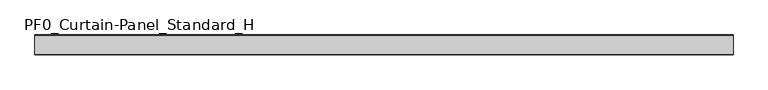
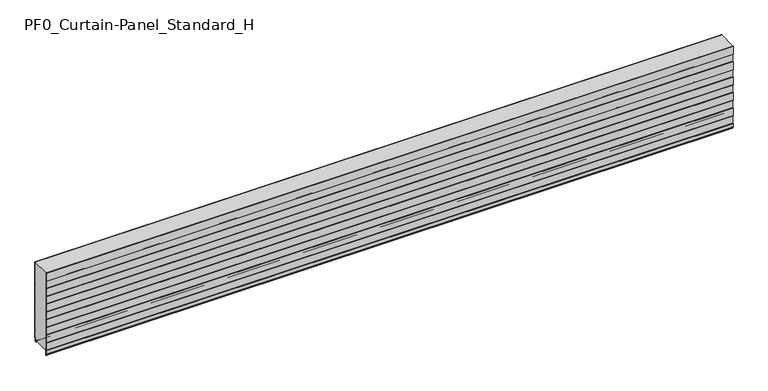
"""IFC4 building model written with IfcOpenShell, lengths in millimetres: plate geometry, PF0_Curtain-Panel_Standard_H."""

from ifc_helpers import new_model, si_unit, point, frame, frame_2d, origin, place, context, project, spatial, polyline, circle_curve, trimmed, segment, composite_curve, outline, extrude, source, transform, mapped, element, save


def pf0_curtain_panel_standard_h_a76f66ed(model_context):
    return source(origin(), model_context, "Body", "SweptSolid", [
        extrude(outline(composite_curve([segment(polyline([(-110.0, 0.0), (-113.5, 0.0)]), True, "CONTINUOUS"), segment(trimmed(circle_curve(frame_2d((-113.5, -2.0)), 2.0), [point((-113.5, 0.0))], [point((-115.5, -2.0))], True, "CARTESIAN"), True, "CONTINUOUS"), segment(polyline([(-115.5, -2.0), (-115.5, -33.0)]), True, "CONTINUOUS"), segment(trimmed(circle_curve(frame_2d((-116.5, -33.0)), 1.0), [point((-115.5, -33.0))], [point((-117.5, -33.0))], False, "CARTESIAN"), True, "CONTINUOUS"), segment(polyline([(-117.5, -33.0), (-117.5, -26.9)]), True, "CONTINUOUS"), segment(trimmed(circle_curve(frame_2d((-118.4, -26.9)), 0.9), [point((-117.5, -26.9))], [point((-118.4, -26.0))], True, "CARTESIAN"), True, "CONTINUOUS"), segment(trimmed(circle_curve(frame_2d((-118.4, -24.4)), 1.6), [point((-118.4, -26.0))], [point((-120.0, -24.4))], False, "CARTESIAN"), True, "CONTINUOUS"), segment(polyline([(-120.0, -24.4), (-120.0, -0.9952559), (-118.5, 1.6028217), (-118.5, 46.4028193), (-120.0, 49.0008969), (-120.0, 99.0047441), (-118.5, 101.6028217), (-118.5, 146.4028193), (-120.0, 149.0008969), (-120.0, 199.0047441), (-118.5, 201.6028217), (-118.5, 246.4028193), (-120.0, 249.0008969), (-120.0, 299.0047441), (-118.5, 301.6028217), (-118.5, 346.4028193), (-120.0, 349.0008969), (-120.0, 399.0047441), (-118.5, 401.6028217), (-118.5, 446.4028193), (-120.0, 449.0008969), (-120.0, 499.0047441), (-119.425389, 500.0), (-118.5016287, 500.0), (-119.2, 498.7903848), (-119.2, 449.2152562), (-117.7, 446.6171786), (-117.7, 401.3884624), (-119.2, 398.7903848), (-119.2, 349.2152562), (-117.7, 346.6171786), (-117.7, 301.3884624), (-119.2, 298.7903848), (-119.2, 249.2152562), (-117.7, 246.6171786), (-117.7, 201.3884624), (-119.2, 198.7903848), (-119.2, 149.2152562), (-117.7, 146.6171786), (-117.7, 101.3884624), (-119.2, 98.7903848), (-119.2, 49.2152562), (-117.7, 46.6171786), (-117.7, 1.3884624), (-119.2, -1.2096152), (-119.2, -24.4)]), True, "CONTINUOUS"), segment(trimmed(circle_curve(frame_2d((-118.4, -24.4)), 0.8), [point((-119.2, -24.4))], [point((-118.4, -25.2))], True, "CARTESIAN"), True, "CONTINUOUS"), segment(trimmed(circle_curve(frame_2d((-118.6133333, -26.9)), 1.7133333), [point((-118.4, -25.2))], [point((-116.9, -26.9))], False, "CARTESIAN"), True, "CONTINUOUS"), segment(polyline([(-116.9, -26.9), (-116.9, -32.8700312)]), True, "CONTINUOUS"), segment(trimmed(circle_curve(frame_2d((-116.6, -32.8700312)), 0.3), [point((-116.9, -32.8700312))], [point((-116.3, -32.8700312))], True, "CARTESIAN"), True, "CONTINUOUS"), segment(polyline([(-116.3, -32.8700312), (-116.3, -2.0)]), True, "CONTINUOUS"), segment(trimmed(circle_curve(frame_2d((-113.5, -2.0)), 2.8), [point((-116.3, -2.0))], [point((-113.5, 0.8))], False, "CARTESIAN"), True, "CONTINUOUS"), segment(polyline([(-113.5, 0.8), (-110.0, 0.8), (-110.0, 0.0)]), True, "CONTINUOUS")], self_intersect=False)), frame((-2100.0, 0.0, 0.0), z_axis=(1.0, 0.0, 0.0), x_axis=(0.0, 1.0, 0.0)), (0.0, 0.0, 1.0), 4200.0),
        extrude(outline(composite_curve([segment(polyline([(-15.878557, 0.0), (-20.0, 0.0), (-20.0, 0.8), (-15.878557, 0.8)]), True, "CONTINUOUS"), segment(trimmed(circle_curve(frame_2d((-15.878557, -2.0)), 2.8), [point((-15.878557, 0.8))], [point((-13.1503208, -1.370137))], False, "CARTESIAN"), True, "CONTINUOUS"), segment(polyline([(-13.1503208, -1.370137), (-11.728236, -7.529863)]), True, "CONTINUOUS"), segment(trimmed(circle_curve(frame_2d((-9.0, -6.9)), 2.8), [point((-11.728236, -7.529863))], [point((-6.2, -6.9))], True, "CARTESIAN"), True, "CONTINUOUS"), segment(polyline([(-6.2, -6.9), (-6.2, 8.6)]), True, "CONTINUOUS"), segment(trimmed(circle_curve(frame_2d((-3.4, 8.6)), 2.8), [point((-6.2, 8.6))], [point((-3.4, 11.4))], False, "CARTESIAN"), True, "CONTINUOUS"), segment(polyline([(-3.4, 11.4), (-2.0, 11.4)]), True, "CONTINUOUS"), segment(trimmed(circle_curve(frame_2d((-2.0, 12.6)), 1.2), [point((-2.0, 11.4))], [point((-0.8, 12.6))], True, "CARTESIAN"), True, "CONTINUOUS"), segment(polyline([(-0.8, 12.6), (-0.8, 57.6856412), (-2.482606, 60.6), (-0.8, 63.5143588), (-0.8, 157.6856412), (-2.482606, 160.6), (-0.8, 163.5143588), (-0.8, 257.6856412), (-2.482606, 260.6), (-0.8, 263.5143588), (-0.8, 357.6856412), (-2.482606, 360.6), (-0.8, 363.5143588), (-0.8, 457.6856412), (-2.482606, 460.6), (-0.8, 463.5143588), (-0.8, 500.0), (0.0, 500.0), (0.0, 463.2999995), (-1.5588455, 460.6), (0.0, 457.9000005), (0.0, 363.2999995), (-1.5588455, 360.6), (0.0, 357.9000005), (0.0, 263.2999995), (-1.5588455, 260.6), (0.0, 257.9000005), (0.0, 163.2999995), (-1.5588455, 160.6), (0.0, 157.9000005), (0.0, 63.2999995), (-1.5588455, 60.6), (0.0, 57.9000005), (0.0, 12.6)]), True, "CONTINUOUS"), segment(trimmed(circle_curve(frame_2d((-2.0, 12.6)), 2.0), [point((0.0, 12.6))], [point((-2.0, 10.6))], False, "CARTESIAN"), True, "CONTINUOUS"), segment(polyline([(-2.0, 10.6), (-3.4, 10.6)]), True, "CONTINUOUS"), segment(trimmed(circle_curve(frame_2d((-3.4, 8.6)), 2.0), [point((-3.4, 10.6))], [point((-5.4, 8.6))], True, "CARTESIAN"), True, "CONTINUOUS"), segment(polyline([(-5.4, 8.6), (-5.4, -6.9)]), True, "CONTINUOUS"), segment(trimmed(circle_curve(frame_2d((-9.0, -6.9)), 3.6), [point((-5.4, -6.9))], [point((-12.5077322, -7.7098239))], False, "CARTESIAN"), True, "CONTINUOUS"), segment(polyline([(-12.5077322, -7.7098239), (-13.929817, -1.5500979)]), True, "CONTINUOUS"), segment(trimmed(circle_curve(frame_2d((-15.878557, -2.0)), 2.0), [point((-13.929817, -1.5500979))], [point((-15.878557, 0.0))], True, "CARTESIAN"), True, "CONTINUOUS")], self_intersect=False)), frame((-2100.0, 0.0, 0.0), z_axis=(1.0, 0.0, 0.0), x_axis=(0.0, 1.0, 0.0)), (0.0, 0.0, 1.0), 4200.0),
        extrude(outline(composite_curve([segment(polyline([(-110.0, 0.8), (-113.5, 0.8)]), True, "CONTINUOUS"), segment(trimmed(circle_curve(frame_2d((-113.5, -2.0)), 2.8), [point((-113.5, 0.8))], [point((-116.3, -2.0))], True, "CARTESIAN"), True, "CONTINUOUS"), segment(polyline([(-116.3, -2.0), (-116.3, -32.8700312)]), True, "CONTINUOUS"), segment(trimmed(circle_curve(frame_2d((-116.6, -32.8700312)), 0.3), [point((-116.3, -32.8700312))], [point((-116.9, -32.8700312))], False, "CARTESIAN"), True, "CONTINUOUS"), segment(polyline([(-116.9, -32.8700312), (-116.9, -26.9)]), True, "CONTINUOUS"), segment(trimmed(circle_curve(frame_2d((-118.6133333, -26.9)), 1.7133333), [point((-116.9, -26.9))], [point((-118.4, -25.2))], True, "CARTESIAN"), True, "CONTINUOUS"), segment(trimmed(circle_curve(frame_2d((-118.4, -24.4)), 0.8), [point((-118.4, -25.2))], [point((-119.2, -24.4))], False, "CARTESIAN"), True, "CONTINUOUS"), segment(polyline([(-119.2, -24.4), (-119.2, -1.2096152), (-117.7, 1.3884624), (-117.7, 46.6171786), (-119.2, 49.2152562), (-119.2, 98.7903848), (-117.7, 101.3884624), (-117.7, 146.6171786), (-119.2, 149.2152562), (-119.2, 198.7903848), (-117.7, 201.3884624), (-117.7, 246.6171786), (-119.2, 249.2152562), (-119.2, 298.7903848), (-117.7, 301.3884624), (-117.7, 346.6171786), (-119.2, 349.2152562), (-119.2, 398.7903848), (-117.7, 401.3884624), (-117.7, 446.6171786), (-119.2, 449.2152562), (-119.2, 498.7903848), (-118.5016287, 500.0), (-0.8, 500.0), (-0.8, 463.5143588), (-2.482606, 460.6), (-0.8, 457.6856412), (-0.8, 363.5143588), (-2.482606, 360.6), (-0.8, 357.6856412), (-0.8, 263.5143588), (-2.482606, 260.6), (-0.8, 257.6856412), (-0.8, 163.5143588), (-2.482606, 160.6), (-0.8, 157.6856412), (-0.8, 63.5143588), (-2.482606, 60.6), (-0.8, 57.6856412), (-0.8, 12.6)]), True, "CONTINUOUS"), segment(trimmed(circle_curve(frame_2d((-2.0, 12.6)), 1.2), [point((-0.8, 12.6))], [point((-2.0, 11.4))], False, "CARTESIAN"), True, "CONTINUOUS"), segment(polyline([(-2.0, 11.4), (-3.4, 11.4)]), True, "CONTINUOUS"), segment(trimmed(circle_curve(frame_2d((-3.4, 8.6)), 2.8), [point((-3.4, 11.4))], [point((-6.2, 8.6))], True, "CARTESIAN"), True, "CONTINUOUS"), segment(polyline([(-6.2, 8.6), (-6.2, -6.9)]), True, "CONTINUOUS"), segment(trimmed(circle_curve(frame_2d((-9.0, -6.9)), 2.8), [point((-6.2, -6.9))], [point((-11.7282362, -7.529863))], False, "CARTESIAN"), True, "CONTINUOUS"), segment(polyline([(-11.7282362, -7.529863), (-13.1503208, -1.370137)]), True, "CONTINUOUS"), segment(trimmed(circle_curve(frame_2d((-15.878557, -2.0)), 2.8), [point((-13.1503208, -1.370137))], [point((-15.878557, 0.8))], True, "CARTESIAN"), True, "CONTINUOUS"), segment(polyline([(-15.878557, 0.8), (-20.0, 0.8), (-20.0, 0.0), (-110.0, 0.0), (-110.0, 0.8)]), True, "CONTINUOUS")], self_intersect=False)), frame((-2100.0, 0.0, 0.0), z_axis=(1.0, 0.0, 0.0), x_axis=(0.0, 1.0, 0.0)), (0.0, 0.0, 1.0), 4200.0),
    ])


if __name__ == "__main__":
    model = new_model("IFC4")
    model_context = context("Model", 3, world=origin())
    ifc_project = project(units=[si_unit("LENGTHUNIT", "METRE", prefix="MILLI")], contexts=[model_context])
    site = spatial("IfcSite", under=ifc_project)
    building = spatial("IfcBuilding", under=site)
    placement = place(None, origin())
    pf0_curtain_panel_standard_h_shape = pf0_curtain_panel_standard_h_a76f66ed(model_context)
    element("IfcPlate", 1, ObjectType="PF0_Curtain-Panel_Standard_H", at=placement, inside=building, context=model_context, shape_type="MappedRepresentation", body=[
        mapped(pf0_curtain_panel_standard_h_shape, transform((0.0, 0.0, 0.0), x_axis=(1.0, 0.0, 0.0), y_axis=(0.0, 1.0, 0.0), z_axis=(0.0, 0.0, 1.0))),
    ])
    save(model, "model.ifc")
